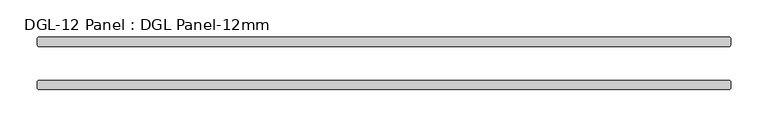
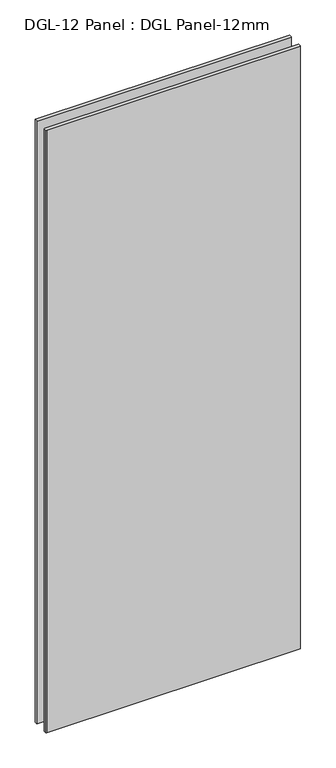
"""IFC4 building model written with IfcOpenShell, lengths in millimetres: plate geometry, DGL-12 Panel : DGL Panel-12mm."""

from ifc_helpers import new_model, si_unit, origin, origin_with_axes, place, context, project, spatial, polyline, outline, extrude, source, transform, mapped, element, save


def dgl_12_panel_dgl_panel_12mm_a50e1597(model_context):
    return source(origin(), model_context, "Body", "SweptSolid", [
        extrude(outline(polyline([(465.7436848, -22.9195313), (467.3311848, -24.5070313), (467.3311848, -34.0320313), (465.7436848, -35.6195313), (-465.7436848, -35.6195313), (-467.3311848, -34.0320313), (-467.3311848, -24.5070313), (-465.7436848, -22.9195313), (465.7436848, -22.9195313)])), origin_with_axes(), (0.0, 0.0, 1.0), 2339.4622278),
        extrude(outline(polyline([(465.7436848, 35.6195312), (467.3311848, 34.0320312), (467.3311848, 24.5070312), (465.7436848, 22.9195312), (-465.7436848, 22.9195312), (-467.3311848, 24.5070312), (-467.3311848, 34.0320312), (-465.7436848, 35.6195312), (465.7436848, 35.6195312)])), origin_with_axes(), (0.0, 0.0, 1.0), 2339.4622278),
    ])


if __name__ == "__main__":
    model = new_model("IFC4")
    model_context = context("Model", 3, world=origin())
    ifc_project = project(units=[si_unit("LENGTHUNIT", "METRE", prefix="MILLI")], contexts=[model_context])
    site = spatial("IfcSite", under=ifc_project)
    building = spatial("IfcBuilding", under=site)
    placement = place(None, origin())
    dgl_12_panel_dgl_panel_12mm_shape = dgl_12_panel_dgl_panel_12mm_a50e1597(model_context)
    element("IfcPlate", 1, ObjectType="DGL-12 Panel : DGL Panel-12mm", at=placement, inside=building, context=model_context, shape_type="MappedRepresentation", body=[
        mapped(dgl_12_panel_dgl_panel_12mm_shape, transform((0.0, 0.0, 0.0), x_axis=(1.0, 0.0, 0.0), y_axis=(0.0, 1.0, 0.0), z_axis=(0.0, 0.0, 1.0))),
    ])
    save(model, "model.ifc")
